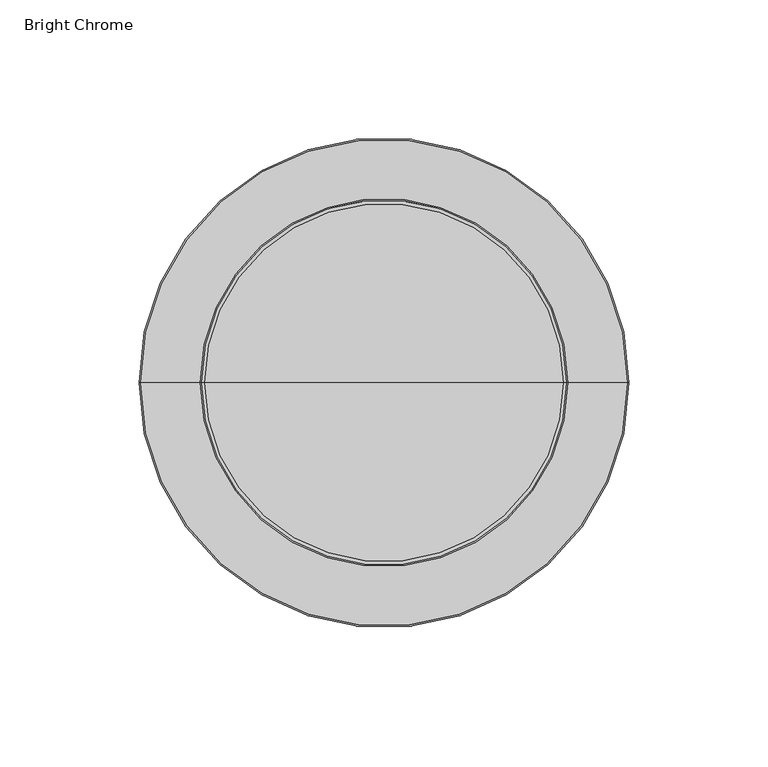
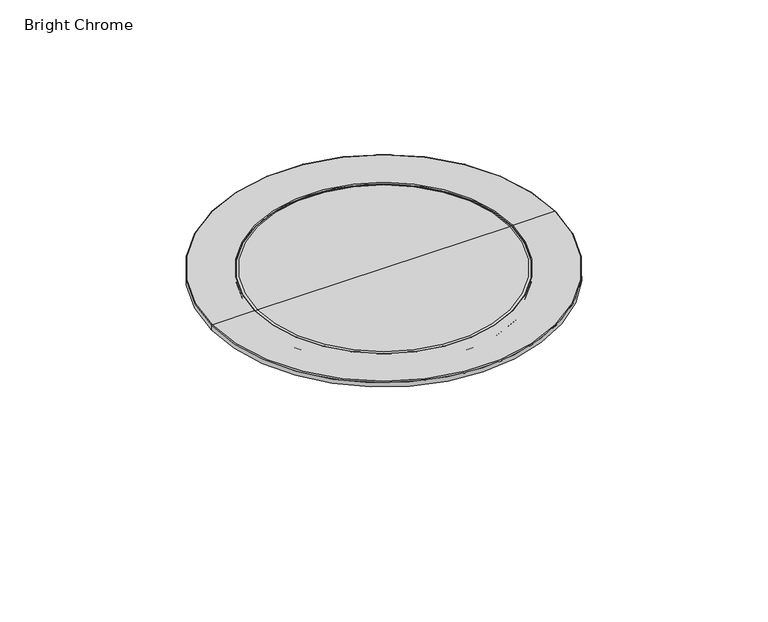
"""IFC4 building model written with IfcOpenShell, lengths in millimetres: flow terminal geometry, Bright Chrome."""

from ifc_helpers import new_model, si_unit, point, frame, origin, place, context, project, spatial, polyline, circle_curve, ellipse_curve, trimmed, source, transform, mapped, element, save
from ifc_brep_helpers import plane_surface, cylinder_surface, revolved_surface, advanced_brep


def bright_chrome_743c02cf(model_context):
    return source(origin(), model_context, "Body", "AdvancedBrep", [
        advanced_brep(
        [(1.0, 15.0, 0.1), (65.3663195, 15.0, 0.1), (-63.3663195, 15.0, 0.1), (-63.3663195, 15.0, 2.6559366), (65.3663195, 15.0, 2.6559366), (1.0, 15.0, 2.6559366)],
        [
            (0, 1),
            (1, 2, circle_curve(frame((1.0, 15.0, 0.1), z_axis=(0.0, 0.0, -1.0), x_axis=(1.0, 0.0, 0.0)), 64.3663195)),
            (2, 0),
            (2, 1, circle_curve(frame((1.0, 15.0, 0.1), z_axis=(0.0, 0.0, -1.0), x_axis=(1.0, 0.0, 0.0)), 64.3663195)),
            (3, 4, circle_curve(frame((1.0, 15.0, 2.6559366), z_axis=(0.0, 0.0, 1.0), x_axis=(1.0, 0.0, 0.0)), 64.3663195)),
            (4, 5),
            (5, 3),
            (4, 3, circle_curve(frame((1.0, 15.0, 2.6559366), z_axis=(0.0, 0.0, 1.0), x_axis=(1.0, 0.0, 0.0)), 64.3663195)),
            (1, 4, circle_curve(frame((65.3663195, 15.0, 1.3779683), z_axis=(0.0, -1.0, 0.0), x_axis=(-1.0, 0.0, 0.0)), 1.2779683)),
            (3, 2, circle_curve(frame((-63.3663195, 15.0, 1.3779683), z_axis=(0.0, -1.0, 0.0), x_axis=(1.0, 0.0, 0.0)), 1.2779683)),
        ],
        [
            plane_surface(frame((1.0, 15.0, 0.1), z_axis=(0.0, 0.0, -1.0), x_axis=(1.0, 0.0, 0.0))),
            plane_surface(frame((1.0, 15.0, 2.6559366), z_axis=(0.0, 0.0, 1.0), x_axis=(1.0, 0.0, 0.0))),
            revolved_surface(trimmed(ellipse_curve(frame((65.3663195, 15.0, 1.3779683), z_axis=(0.0, 1.0, 0.0), x_axis=(-1.0, 0.0, 0.0)), 1.2779683, 1.2779683), [point((65.3663195, 15.0, 2.6559366))], [point((65.3663195, 15.0, 0.1))], True, "CARTESIAN"), (1.0, 15.0, 4.8540205), (0.0, 0.0, -1.0)),
        ],
        [
            (0, [[1, 2, 3]]),
            (0, [[-3, 4, -1]]),
            (1, [[5, 6, 7]]),
            (1, [[8, -7, -6]]),
            (2, [[-2, 9, -5, 10]]),
            (2, [[-4, -10, -8, -9]]),
        ],
    ),
        advanced_brep(
        [(89.0, 15.0, 2.2382465), (-87.0, 15.0, 2.2382465), (-87.0, 15.0, 0.0), (89.0, 15.0, 0.0), (67.1855481, 15.0, 2.7559366), (-65.1855481, 15.0, 2.7559366), (-86.4823099, 15.0, 2.7559366), (88.4823099, 15.0, 2.7559366), (66.6855481, 15.0, 0.2275593), (-64.6855481, 15.0, 0.2275593), (-64.6855481, 15.0, 2.2559366), (66.6855481, 15.0, 2.2559366), (66.025305, 15.0, -0.4326837), (-64.025305, 15.0, -0.4326837), (56.874679, 15.0, -0.4326837), (-54.874679, 15.0, -0.4326837), (14.2138244, 15.0, -13.0209137), (-12.2138244, 15.0, -13.0209137), (11.1534844, 15.0, -15.4463365), (-9.1534844, 15.0, -15.4463365), (10.8552137, 15.0, -17.1325251), (-8.8552137, 15.0, -17.1325251), (10.8552137, 15.0, -43.2459588), (-8.8552137, 15.0, -43.2459588), (11.9183378, 15.0, -43.2459588), (-9.9183378, 15.0, -43.2459588), (11.9183378, 15.0, -17.0853121), (-9.9183378, 15.0, -17.0853121), (13.1793161, 15.0, -16.1581596), (-11.1793161, 15.0, -16.1581596), (57.5638274, 15.0, -3.4310432), (-55.5638274, 15.0, -3.4310432), (65.7813093, 15.0, -3.4310432), (-63.7813093, 15.0, -3.4310432), (69.2123525, 15.0, 0.0), (-67.2123525, 15.0, 0.0)],
        [
            (0, 1, circle_curve(frame((1.0, 15.0, 2.2382465), z_axis=(0.0, 0.0, -1.0), x_axis=(-1.0, 0.0, 0.0)), 88.0)),
            (1, 2),
            (2, 3, circle_curve(frame((1.0, 15.0, 0.0), z_axis=(0.0, 0.0, 1.0), x_axis=(-1.0, 0.0, 0.0)), 88.0)),
            (3, 0),
            (1, 0, circle_curve(frame((1.0, 15.0, 2.2382465), z_axis=(0.0, 0.0, -1.0), x_axis=(-1.0, 0.0, 0.0)), 88.0)),
            (3, 2, circle_curve(frame((1.0, 15.0, 0.0), z_axis=(0.0, 0.0, 1.0), x_axis=(-1.0, 0.0, 0.0)), 88.0)),
            (4, 5, circle_curve(frame((1.0, 15.0, 2.7559366), z_axis=(0.0, 0.0, -1.0), x_axis=(-1.0, 0.0, 0.0)), 66.1855481)),
            (5, 6),
            (6, 7, circle_curve(frame((1.0, 15.0, 2.7559366), z_axis=(0.0, 0.0, 1.0), x_axis=(-1.0, 0.0, 0.0)), 87.4823099)),
            (7, 4),
            (5, 4, circle_curve(frame((1.0, 15.0, 2.7559366), z_axis=(0.0, 0.0, -1.0), x_axis=(-1.0, 0.0, 0.0)), 66.1855481)),
            (7, 6, circle_curve(frame((1.0, 15.0, 2.7559366), z_axis=(0.0, 0.0, 1.0), x_axis=(-1.0, 0.0, 0.0)), 87.4823099)),
            (8, 9, circle_curve(frame((1.0, 15.0, 0.2275593), z_axis=(0.0, 0.0, -1.0), x_axis=(-1.0, 0.0, 0.0)), 65.6855481)),
            (9, 10),
            (10, 11, circle_curve(frame((1.0, 15.0, 2.2559366), z_axis=(0.0, 0.0, 1.0), x_axis=(-1.0, 0.0, 0.0)), 65.6855481)),
            (11, 8),
            (9, 8, circle_curve(frame((1.0, 15.0, 0.2275593), z_axis=(0.0, 0.0, -1.0), x_axis=(-1.0, 0.0, 0.0)), 65.6855481)),
            (11, 10, circle_curve(frame((1.0, 15.0, 2.2559366), z_axis=(0.0, 0.0, 1.0), x_axis=(-1.0, 0.0, 0.0)), 65.6855481)),
            (12, 13, circle_curve(frame((1.0, 15.0, -0.4326837), z_axis=(0.0, 0.0, -1.0), x_axis=(-1.0, 0.0, 0.0)), 65.025305)),
            (13, 9, circle_curve(frame((-64.025305, 15.0, 0.2275593), z_axis=(0.0, 1.0, 0.0), x_axis=(-1.0, 0.0, 0.0)), 0.660243)),
            (8, 12, circle_curve(frame((66.025305, 15.0, 0.2275593), z_axis=(0.0, 1.0, 0.0), x_axis=(1.0, 0.0, 0.0)), 0.660243)),
            (13, 12, circle_curve(frame((1.0, 15.0, -0.4326837), z_axis=(0.0, 0.0, -1.0), x_axis=(-1.0, 0.0, 0.0)), 65.025305)),
            (14, 15, circle_curve(frame((1.0, 15.0, -0.4326837), z_axis=(0.0, 0.0, -1.0), x_axis=(-1.0, 0.0, 0.0)), 55.874679)),
            (15, 13),
            (12, 14),
            (15, 14, circle_curve(frame((1.0, 15.0, -0.4326837), z_axis=(0.0, 0.0, -1.0), x_axis=(-1.0, 0.0, 0.0)), 55.874679)),
            (16, 17, circle_curve(frame((1.0, 15.0, -13.0209137), z_axis=(0.0, 0.0, -1.0), x_axis=(-1.0, 0.0, 0.0)), 13.2138244)),
            (17, 15, circle_curve(frame((3.7421456, 15.0, 119.6348555), z_axis=(0.0, 1.0, 0.0), x_axis=(-1.0, 0.0, 0.0)), 133.6119235)),
            (14, 16, circle_curve(frame((-1.7421456, 15.0, 119.6348555), z_axis=(0.0, 1.0, 0.0), x_axis=(1.0, 0.0, 0.0)), 133.6119235)),
            (17, 16, circle_curve(frame((1.0, 15.0, -13.0209137), z_axis=(0.0, 0.0, -1.0), x_axis=(-1.0, 0.0, 0.0)), 13.2138244)),
            (18, 19, circle_curve(frame((1.0, 15.0, -15.4463365), z_axis=(0.0, 0.0, -1.0), x_axis=(-1.0, 0.0, 0.0)), 10.1534844)),
            (19, 17, circle_curve(frame((-12.6595708, 15.0, -16.7267887), z_axis=(0.0, -1.0, 0.0), x_axis=(-1.0, 0.0, 0.0)), 3.7325861)),
            (16, 18, circle_curve(frame((14.6595708, 15.0, -16.7267887), z_axis=(0.0, -1.0, 0.0), x_axis=(1.0, 0.0, 0.0)), 3.7325861)),
            (19, 18, circle_curve(frame((1.0, 15.0, -15.4463365), z_axis=(0.0, 0.0, -1.0), x_axis=(-1.0, 0.0, 0.0)), 10.1534844)),
            (20, 21, circle_curve(frame((1.0, 15.0, -17.1325251), z_axis=(0.0, 0.0, -1.0), x_axis=(-1.0, 0.0, 0.0)), 9.8552137)),
            (21, 19, circle_curve(frame((-13.7705428, 15.0, -17.1325251), z_axis=(0.0, -1.0, 0.0), x_axis=(-1.0, 0.0, 0.0)), 4.9153291)),
            (18, 20, circle_curve(frame((15.7705428, 15.0, -17.1325251), z_axis=(0.0, -1.0, 0.0), x_axis=(1.0, 0.0, 0.0)), 4.9153291)),
            (21, 20, circle_curve(frame((1.0, 15.0, -17.1325251), z_axis=(0.0, 0.0, -1.0), x_axis=(-1.0, 0.0, 0.0)), 9.8552137)),
            (22, 23, circle_curve(frame((1.0, 15.0, -43.2459588), z_axis=(0.0, 0.0, -1.0), x_axis=(-1.0, 0.0, 0.0)), 9.8552137)),
            (23, 21),
            (20, 22),
            (23, 22, circle_curve(frame((1.0, 15.0, -43.2459588), z_axis=(0.0, 0.0, -1.0), x_axis=(-1.0, 0.0, 0.0)), 9.8552137)),
            (24, 25, circle_curve(frame((1.0, 15.0, -43.2459588), z_axis=(0.0, 0.0, -1.0), x_axis=(-1.0, 0.0, 0.0)), 10.9183378)),
            (25, 23),
            (22, 24),
            (25, 24, circle_curve(frame((1.0, 15.0, -43.2459588), z_axis=(0.0, 0.0, -1.0), x_axis=(-1.0, 0.0, 0.0)), 10.9183378)),
            (26, 27, circle_curve(frame((1.0, 15.0, -17.0853121), z_axis=(0.0, 0.0, -1.0), x_axis=(-1.0, 0.0, 0.0)), 10.9183378)),
            (27, 25),
            (24, 26),
            (27, 26, circle_curve(frame((1.0, 15.0, -17.0853121), z_axis=(0.0, 0.0, -1.0), x_axis=(-1.0, 0.0, 0.0)), 10.9183378)),
            (28, 29, circle_curve(frame((1.0, 15.0, -16.1581596), z_axis=(0.0, 0.0, -1.0), x_axis=(-1.0, 0.0, 0.0)), 12.1793161)),
            (29, 27, circle_curve(frame((-11.3499863, 15.0, -17.7113565), z_axis=(0.0, 1.0, 0.0), x_axis=(-1.0, 0.0, 0.0)), 1.5625457)),
            (26, 28, circle_curve(frame((13.3499863, 15.0, -17.7113565), z_axis=(0.0, 1.0, 0.0), x_axis=(1.0, 0.0, 0.0)), 1.5625457)),
            (29, 28, circle_curve(frame((1.0, 15.0, -16.1581596), z_axis=(0.0, 0.0, -1.0), x_axis=(-1.0, 0.0, 0.0)), 12.1793161)),
            (30, 31, circle_curve(frame((1.0, 15.0, -3.4310432), z_axis=(0.0, 0.0, -1.0), x_axis=(-1.0, 0.0, 0.0)), 56.5638274)),
            (31, 29, circle_curve(frame((3.7421456, 15.0, 119.6356758), z_axis=(0.0, -1.0, 0.0), x_axis=(-1.0, 0.0, 0.0)), 136.6111845)),
            (28, 30, circle_curve(frame((-1.7421456, 15.0, 119.6356758), z_axis=(0.0, -1.0, 0.0), x_axis=(1.0, 0.0, 0.0)), 136.6111845)),
            (31, 30, circle_curve(frame((1.0, 15.0, -3.4310432), z_axis=(0.0, 0.0, -1.0), x_axis=(-1.0, 0.0, 0.0)), 56.5638274)),
            (32, 33, circle_curve(frame((1.0, 15.0, -3.4310432), z_axis=(0.0, 0.0, -1.0), x_axis=(-1.0, 0.0, 0.0)), 64.7813093)),
            (33, 31),
            (30, 32),
            (33, 32, circle_curve(frame((1.0, 15.0, -3.4310432), z_axis=(0.0, 0.0, -1.0), x_axis=(-1.0, 0.0, 0.0)), 64.7813093)),
            (34, 35, circle_curve(frame((1.0, 15.0, 0.0), z_axis=(0.0, 0.0, -1.0), x_axis=(-1.0, 0.0, 0.0)), 68.2123525)),
            (35, 33, circle_curve(frame((-63.7813093, 15.0, 0.0), z_axis=(0.0, -1.0, 0.0), x_axis=(-1.0, 0.0, 0.0)), 3.4310432)),
            (32, 34, circle_curve(frame((65.7813093, 15.0, 0.0), z_axis=(0.0, -1.0, 0.0), x_axis=(1.0, 0.0, 0.0)), 3.4310432)),
            (35, 34, circle_curve(frame((1.0, 15.0, 0.0), z_axis=(0.0, 0.0, -1.0), x_axis=(-1.0, 0.0, 0.0)), 68.2123525)),
            (2, 35),
            (34, 3),
            (10, 5, circle_curve(frame((-65.1855481, 15.0, 2.2559366), z_axis=(0.0, -1.0, 0.0), x_axis=(-1.0, 0.0, 0.0)), 0.5)),
            (4, 11, circle_curve(frame((67.1855481, 15.0, 2.2559366), z_axis=(0.0, -1.0, 0.0), x_axis=(1.0, 0.0, 0.0)), 0.5)),
            (6, 1, circle_curve(frame((-86.4823099, 15.0, 2.2382465), z_axis=(0.0, -1.0, 0.0), x_axis=(-1.0, 0.0, 0.0)), 0.5176901)),
            (0, 7, circle_curve(frame((88.4823099, 15.0, 2.2382465), z_axis=(0.0, -1.0, 0.0), x_axis=(1.0, 0.0, 0.0)), 0.5176901)),
        ],
        [
            cylinder_surface(frame((1.0, 15.0, 250.9742157), z_axis=(0.0, 0.0, 1.0), x_axis=(-1.0, 0.0, 0.0)), 88.0),
            plane_surface(frame((1.0, 15.0, 2.7559366), z_axis=(0.0, 0.0, 1.0), x_axis=(-1.0, 0.0, 0.0))),
            revolved_surface(polyline([(-64.6855481, 15.0, 2.2559366000000125), (-64.6855481, 15.0, 0.2275592999999958)]), (1.0, 15.0, 250.9742157), (0.0, 0.0, 1.0)),
            revolved_surface(trimmed(ellipse_curve(frame((-64.025305, 15.0, 0.2275593), z_axis=(0.0, -1.0, 0.0), x_axis=(-1.0, 0.0, 0.0)), 0.660243, 0.660243), [point((-64.6855481, 15.0, 0.2275593))], [point((-64.025305, 15.0, -0.4326837))], True, "CARTESIAN"), (1.0, 15.0, 250.9742157), (0.0, 0.0, 1.0)),
            plane_surface(frame((1.0, 15.0, -0.4326837), z_axis=(0.0, 0.0, 1.0), x_axis=(-1.0, 0.0, 0.0))),
            revolved_surface(trimmed(ellipse_curve(frame((3.7421456, 15.0, 119.6348555), z_axis=(0.0, -1.0, 0.0), x_axis=(-1.0, 0.0, 0.0)), 133.6119235, 133.6119235), [point((-54.874679, 15.0, -0.4326837))], [point((-12.2138244, 15.0, -13.0209137))], True, "CARTESIAN"), (1.0, 15.0, 250.9742157), (0.0, 0.0, 1.0)),
            revolved_surface(trimmed(ellipse_curve(frame((-12.6595708, 15.0, -16.7267887), z_axis=(0.0, 1.0, 0.0), x_axis=(-1.0, 0.0, 0.0)), 3.7325861, 3.7325861), [point((-12.2138244, 15.0, -13.0209137))], [point((-9.1534844, 15.0, -15.4463365))], True, "CARTESIAN"), (1.0, 15.0, 250.9742157), (0.0, 0.0, 1.0)),
            revolved_surface(trimmed(ellipse_curve(frame((-13.7705428, 15.0, -17.1325251), z_axis=(0.0, 1.0, 0.0), x_axis=(-1.0, 0.0, 0.0)), 4.9153291, 4.9153291), [point((-9.1534844, 15.0, -15.4463365))], [point((-8.8552137, 15.0, -17.1325251))], True, "CARTESIAN"), (1.0, 15.0, 250.9742157), (0.0, 0.0, 1.0)),
            revolved_surface(polyline([(-8.8552137, 15.0, -17.13252510000001), (-8.8552137, 15.0, -43.24595879999998)]), (1.0, 15.0, 250.9742157), (0.0, 0.0, 1.0)),
            plane_surface(frame((1.0, 15.0, -43.2459588), z_axis=(0.0, 0.0, -1.0), x_axis=(-1.0, 0.0, 0.0))),
            cylinder_surface(frame((1.0, 15.0, 250.9742157), z_axis=(0.0, 0.0, 1.0), x_axis=(-1.0, 0.0, 0.0)), 10.9183378),
            revolved_surface(trimmed(ellipse_curve(frame((-11.3499863, 15.0, -17.7113565), z_axis=(0.0, -1.0, 0.0), x_axis=(-1.0, 0.0, 0.0)), 1.5625457, 1.5625457), [point((-9.9183378, 15.0, -17.0853121))], [point((-11.1793161, 15.0, -16.1581596))], True, "CARTESIAN"), (1.0, 15.0, 250.9742157), (0.0, 0.0, 1.0)),
            revolved_surface(trimmed(ellipse_curve(frame((3.7421456, 15.0, 119.6356758), z_axis=(0.0, 1.0, 0.0), x_axis=(-1.0, 0.0, 0.0)), 136.6111845, 136.6111845), [point((-11.1793161, 15.0, -16.1581596))], [point((-55.5638274, 15.0, -3.4310432))], True, "CARTESIAN"), (1.0, 15.0, 250.9742157), (0.0, 0.0, 1.0)),
            plane_surface(frame((1.0, 15.0, -3.4310432), z_axis=(0.0, 0.0, -1.0), x_axis=(-1.0, 0.0, 0.0))),
            revolved_surface(trimmed(ellipse_curve(frame((-63.7813093, 15.0, 0.0), z_axis=(0.0, 1.0, 0.0), x_axis=(-1.0, 0.0, 0.0)), 3.4310432, 3.4310432), [point((-63.7813093, 15.0, -3.4310432))], [point((-67.2123525, 15.0, 0.0))], True, "CARTESIAN"), (1.0, 15.0, 250.9742157), (0.0, 0.0, 1.0)),
            plane_surface(frame((1.0, 15.0, 0.0), z_axis=(0.0, 0.0, -1.0), x_axis=(-1.0, 0.0, 0.0))),
            revolved_surface(trimmed(ellipse_curve(frame((-65.1855481, 15.0, 2.2559366), z_axis=(0.0, 1.0, 0.0), x_axis=(-1.0, 0.0, 0.0)), 0.5, 0.5), [point((-65.1855481, 15.0, 2.7559366))], [point((-64.6855481, 15.0, 2.2559366))], True, "CARTESIAN"), (1.0, 15.0, 250.9742157), (0.0, 0.0, 1.0)),
            revolved_surface(trimmed(ellipse_curve(frame((-86.4823099, 15.0, 2.2382465), z_axis=(0.0, 1.0, 0.0), x_axis=(-1.0, 0.0, 0.0)), 0.5176901, 0.5176901), [point((-87.0, 15.0, 2.2382465))], [point((-86.4823099, 15.0, 2.7559366))], True, "CARTESIAN"), (1.0, 15.0, 250.9742157), (0.0, 0.0, 1.0)),
        ],
        [
            (0, [[1, 2, 3, 4]]),
            (0, [[5, -4, 6, -2]]),
            (1, [[7, 8, 9, 10]]),
            (1, [[11, -10, 12, -8]]),
            (2, [[13, 14, 15, 16]]),
            (2, [[17, -16, 18, -14]]),
            (3, [[19, 20, -13, 21]]),
            (3, [[22, -21, -17, -20]]),
            (4, [[23, 24, -19, 25]]),
            (4, [[26, -25, -22, -24]]),
            (5, [[27, 28, -23, 29]]),
            (5, [[30, -29, -26, -28]]),
            (6, [[31, 32, -27, 33]]),
            (6, [[34, -33, -30, -32]]),
            (7, [[35, 36, -31, 37]]),
            (7, [[38, -37, -34, -36]]),
            (8, [[39, 40, -35, 41]]),
            (8, [[42, -41, -38, -40]]),
            (9, [[43, 44, -39, 45]]),
            (9, [[46, -45, -42, -44]]),
            (10, [[47, 48, -43, 49]]),
            (10, [[50, -49, -46, -48]]),
            (11, [[51, 52, -47, 53]]),
            (11, [[54, -53, -50, -52]]),
            (12, [[55, 56, -51, 57]]),
            (12, [[58, -57, -54, -56]]),
            (13, [[59, 60, -55, 61]]),
            (13, [[62, -61, -58, -60]]),
            (14, [[63, 64, -59, 65]]),
            (14, [[66, -65, -62, -64]]),
            (15, [[-3, 67, -63, 68]]),
            (15, [[-6, -68, -66, -67]]),
            (16, [[-15, 69, -7, 70]]),
            (16, [[-18, -70, -11, -69]]),
            (17, [[-9, 71, -1, 72]]),
            (17, [[-12, -72, -5, -71]]),
        ],
    ),
    ])


if __name__ == "__main__":
    model = new_model("IFC4")
    model_context = context("Model", 3, world=origin())
    ifc_project = project(units=[si_unit("LENGTHUNIT", "METRE", prefix="MILLI")], contexts=[model_context])
    site = spatial("IfcSite", under=ifc_project)
    building = spatial("IfcBuilding", under=site)
    placement = place(None, origin())
    bright_chrome_shape = bright_chrome_743c02cf(model_context)
    element("IfcFlowTerminal", 1, ObjectType="Bright Chrome", at=placement, inside=building, context=model_context, shape_type="MappedRepresentation", body=[
        mapped(bright_chrome_shape, transform((0.0, 0.0, 0.0), x_axis=(1.0, 0.0, 0.0), y_axis=(0.0, 1.0, 0.0), z_axis=(0.0, 0.0, 1.0))),
    ])
    save(model, "model.ifc")
